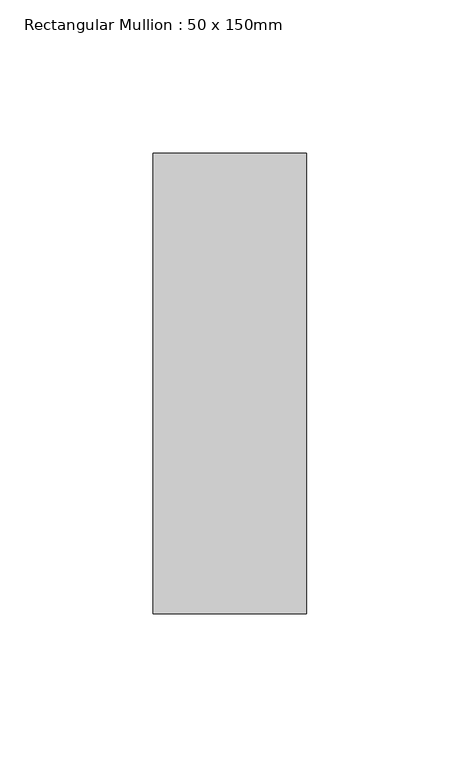
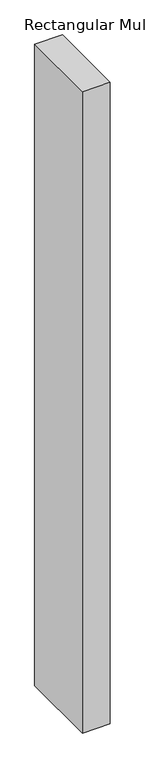
"""IFC4 building model written with IfcOpenShell, lengths in millimetres: member geometry, Rectangular Mullion : 50 x 150mm."""

from ifc_helpers import new_model, si_unit, frame, origin, place, context, project, spatial, polyline, outline, extrude, source, transform, mapped, element, save


def rectangular_mullion_50_x_150mm_d9374019(model_context):
    return source(origin(), model_context, "Body", "SweptSolid", [
        extrude(outline(polyline([(25.0, 75.0), (25.0, -75.0), (-25.0, -75.0), (-25.0, 75.0), (25.0, 75.0)])), frame((0.0, 0.0, -1228.5977744), z_axis=(0.0, 0.0, 1.0), x_axis=(1.0, 0.0, 0.0)), (0.0, 0.0, 1.0), 1228.5977744),
    ])


if __name__ == "__main__":
    model = new_model("IFC4")
    model_context = context("Model", 3, world=origin())
    ifc_project = project(units=[si_unit("LENGTHUNIT", "METRE", prefix="MILLI")], contexts=[model_context])
    site = spatial("IfcSite", under=ifc_project)
    building = spatial("IfcBuilding", under=site)
    placement = place(None, origin())
    rectangular_mullion_50_x_150mm_shape = rectangular_mullion_50_x_150mm_d9374019(model_context)
    element("IfcMember", 1, ObjectType="Rectangular Mullion : 50 x 150mm", at=placement, inside=building, context=model_context, shape_type="MappedRepresentation", body=[
        mapped(rectangular_mullion_50_x_150mm_shape, transform((0.0, 0.0, 0.0), x_axis=(1.0, 0.0, 0.0), y_axis=(0.0, 1.0, 0.0), z_axis=(0.0, 0.0, 1.0))),
    ])
    save(model, "model.ifc")
